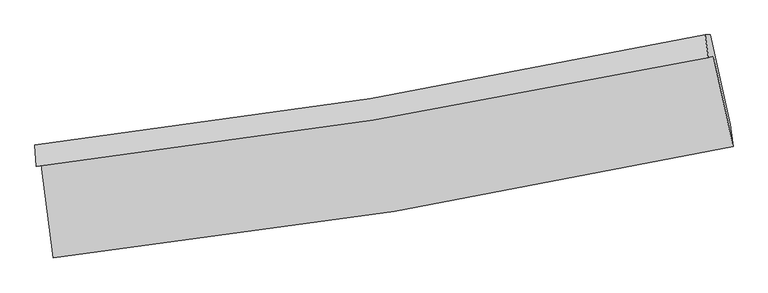
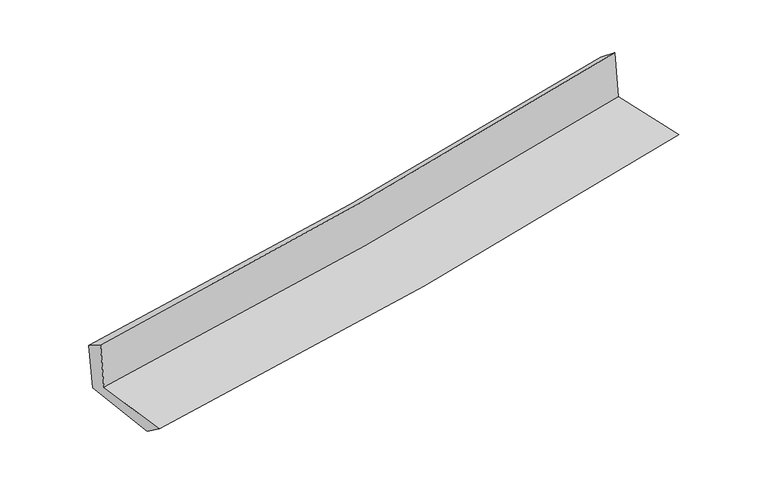
"""IFC4 building model written with IfcOpenShell, lengths in millimetres: proxy geometry."""

from ifc_helpers import new_model, si_unit, frame, origin, place, context, project, spatial, source, transform, mapped, element, save
from ifc_brep_helpers import plane_surface, spline_curve, spline_surface, advanced_brep


def generic_models_4c11e51d(model_context):
    return source(origin(), model_context, "Body", "AdvancedBrep", [
        advanced_brep(
        [(-2424.0589894, -1875.2031989, 1660.7168241), (-2339.4018131, -2537.314025, 1657.9520402), (2511.1971177, -1743.7153067, 2113.4961929), (2370.8911194, -1096.1984532, 2106.0836371), (-2458.7935264, -1886.1827424, 2059.0527347), (2334.825788, -1107.5986591, 2519.6811081), (-2469.8477832, -1732.5457544, 1965.0033047), (2311.5118552, -945.3439776, 2390.744397), (-2434.2111502, -1732.4499701, 1572.0180488), (2348.0754275, -945.0885858, 1997.8392159), (-2349.179385, -2379.4990768, 1543.9573349), (2490.0815497, -1587.3553452, 1974.7442633)],
        [
            (0, 1),
            (1, 2, spline_curve(3, [(-2339.4018131, -2537.314025, 1657.9520402), (-1525.285084084, -2448.283101713, 1733.383401735), (-714.73556922, -2337.793083716, 1808.992037632), (902.156670869, -2073.416162132, 1960.838799902), (1708.473466239, -1919.373274208, 2037.078215122), (2511.1971177, -1743.7153067, 2113.4961929)], [4, 2, 4], [0.0, 8.038229090721131, 16.10561994885461])),
            (2, 3),
            (3, 0, spline_curve(3, [(2370.8911194, -1096.1984532, 2106.0836371), (1576.250608226, -1264.13958595, 2033.005423874), (778.62227554, -1413.110470456, 1959.284053411), (-819.715989192, -1672.641820863, 1810.8238075), (-1620.404359314, -1783.339184889, 1736.089573816), (-2424.0589894, -1875.2031989, 1660.7168241)], [4, 2, 4], [0.0, 8.067390858133479, 16.10561994885461])),
            (4, 0),
            (3, 5),
            (5, 4, spline_curve(3, [(2334.825788, -1107.5986591, 2519.6811081), (1540.246572464, -1275.520416255, 2445.899953394), (742.760133773, -1424.446448282, 2370.551341764), (-855.133950883, -1683.837394062, 2216.99723918), (-1655.520617061, -1794.439389692, 2138.803059554), (-2458.7935264, -1886.1827424, 2059.0527347)], [4, 2, 4], [0.0, 8.01943329343024, 16.00987817504378])),
            (6, 4),
            (5, 7),
            (7, 6, spline_curve(3, [(2311.5118552, -945.3439776, 2390.744397), (1519.484953125, -1117.868133218, 2324.674623766), (724.297703032, -1269.81194177, 2256.092532934), (-869.511649594, -1532.064016648, 2114.160705446), (-1668.110945621, -1642.52080019, 2040.829098865), (-2469.8477832, -1732.5457544, 1965.0033047)], [4, 2, 4], [0.0, 8.008305705468182, 15.987663222797643])),
            (8, 6),
            (7, 9),
            (9, 8, spline_curve(3, [(2348.0754275, -945.0885858, 1997.8392159), (1555.896197235, -1117.645968161, 1931.754809333), (760.555396026, -1269.61970906, 1863.158717801), (-833.562945316, -1531.924962471, 1721.2002031), (-1632.317669943, -1642.405016369, 1647.855905545), (-2434.2111502, -1732.4499701, 1572.0180488)], [4, 2, 4], [0.0, 7.99801733488244, 15.967123671725828])),
            (10, 8),
            (9, 11),
            (11, 10, spline_curve(3, [(2490.0815497, -1587.3553452, 1974.7442633), (1688.747239113, -1762.758089621, 1907.760614881), (884.072113931, -1916.551908922, 1838.300403126), (-729.038973057, -2180.443879207, 1694.686888414), (-1537.450826153, -2290.697970371, 1620.551457135), (-2349.179385, -2379.4990768, 1543.9573349)], [4, 2, 4], [0.0, 8.045940243110978, 16.062796257862463])),
            (1, 10),
            (11, 2),
        ],
        [
            spline_surface(3, 3, [[(-2424.0589894, -1875.2031989, 1660.7168241), (-1620.404359303, -1783.33918478, 1736.089573949), (-819.715989066, -1672.641820785, 1810.823807621), (778.622275414, -1413.110470534, 1959.284053291), (1576.250608092, -1264.139585962, 2033.005423939), (2370.8911194, -1096.1984532, 2106.0836371)], [(-2395.83993062, -2095.90680759, 1659.795229493), (-1588.697934229, -2004.987157067, 1735.187516589), (-784.722515788, -1894.358908413, 1810.213217618), (819.800407224, -1633.212367774, 1959.802302166), (1620.324894131, -1482.550815353, 2034.363020974), (2417.65978548, -1312.037404368, 2108.554489048)], [(-2367.62087188, -2316.61041631, 1658.873634807), (-1556.991509196, -2226.635129384, 1734.285459151), (-749.729042491, -2116.075996004, 1809.602627618), (860.978539052, -1853.314264977, 1960.320551043), (1664.399180229, -1700.962044739, 2035.720617966), (2464.42845162, -1527.876355532, 2111.025340952)], [(-2339.4018131, -2537.314025, 1657.9520402), (-1525.285084122, -2448.283101671, 1733.383401791), (-714.735569213, -2337.793083632, 1808.992037616), (902.156670862, -2073.416162216, 1960.838799918), (1708.473466268, -1919.373274131, 2037.078215002), (2511.1971177, -1743.7153067, 2113.4961929)]], [4, 4], [4, 2, 4], [0.0, 2.206373539216438], [0.0, 8.038229090721131, 16.10561994885461]),
            spline_surface(3, 3, [[(-2458.7935264, -1886.1827424, 2059.0527347), (-1655.520616947, -1794.439389695, 2138.803059523), (-855.133950898, -1683.837393961, 2216.997239159), (742.760133788, -1424.446448384, 2370.551341784), (1540.246572575, -1275.52041631, 2445.899953321), (2334.825788, -1107.5986591, 2519.6811081)], [(-2447.21534741, -1882.522894581, 1926.274097815), (-1643.815197743, -1790.739321404, 2004.56523098), (-843.327963625, -1680.105536229, 2081.60609531), (754.714180992, -1420.667789095, 2233.462245617), (1552.247917764, -1271.726806187, 2308.268443536), (2346.84756515, -1103.79859046, 2381.815284442)], [(-2435.63716839, -1878.863046719, 1793.495460985), (-1632.109778507, -1787.039253071, 1870.327402492), (-831.521976339, -1676.373678516, 1946.214951469), (766.668228209, -1416.889129824, 2096.373149458), (1564.249262903, -1267.933196084, 2170.636933724), (2358.86934225, -1099.99852184, 2243.949460758)], [(-2424.0589894, -1875.2031989, 1660.7168241), (-1620.404359303, -1783.33918478, 1736.089573949), (-819.715989066, -1672.641820785, 1810.823807621), (778.622275414, -1413.110470534, 1959.284053291), (1576.250608092, -1264.139585962, 2033.005423939), (2370.8911194, -1096.1984532, 2106.0836371)]], [4, 4], [4, 2, 4], [0.0, 1.3465722000771294], [0.0, 7.990444881613541, 16.00987817504378]),
            spline_surface(3, 3, [[(-2469.8477832, -1732.5457544, 1965.0033047), (-1668.110945722, -1642.520800167, 2040.829098916), (-869.511649645, -1532.064016569, 2114.160705423), (724.297703083, -1269.811941849, 2256.092532957), (1519.484953093, -1117.868133191, 2324.674623838), (2311.5118552, -945.3439776, 2390.744397)], [(-2466.163030917, -1783.75808371, 1996.353114714), (-1663.914169448, -1693.160329986, 2073.487085799), (-864.719083382, -1582.655142361, 2148.439550001), (730.451846665, -1321.356777355, 2294.245469232), (1526.405492895, -1170.418894234, 2365.08306697), (2319.283166108, -999.428871436, 2433.723300671)], [(-2462.478278683, -1834.97041309, 2027.702924686), (-1659.717393221, -1743.799859876, 2106.14507264), (-859.92651716, -1633.246268169, 2182.718394581), (736.605990206, -1372.901612878, 2332.398405509), (1533.326032772, -1222.969655268, 2405.491510189), (2327.054477092, -1053.513765264, 2476.702204429)], [(-2458.7935264, -1886.1827424, 2059.0527347), (-1655.520616947, -1794.439389695, 2138.803059523), (-855.133950898, -1683.837393961, 2216.997239159), (742.760133788, -1424.446448384, 2370.551341784), (1540.246572575, -1275.52041631, 2445.899953321), (2334.825788, -1107.5986591, 2519.6811081)]], [4, 4], [4, 2, 4], [0.0, 0.618608371418641], [0.0, 7.979357517329462, 15.987663222797643]),
            spline_surface(3, 3, [[(-2434.2111502, -1732.4499701, 1572.0180488), (-1632.31766996, -1642.405016427, 1647.855905647), (-833.562945288, -1531.924962475, 1721.200203183), (760.555395998, -1269.619709055, 1863.158717717), (1555.896197247, -1117.645968204, 1931.754809234), (2348.0754275, -945.0885858, 1997.8392159)], [(-2446.090027868, -1732.481898222, 1703.013134084), (-1644.248761882, -1642.443611029, 1778.846970054), (-845.545846761, -1531.971313851, 1852.187037261), (748.469498339, -1269.683786664, 1994.136656128), (1543.759115895, -1117.720023197, 2062.728080784), (2335.887570099, -945.173716398, 2128.807609616)], [(-2457.968905532, -1732.513826278, 1834.008219416), (-1656.1798538, -1642.482205566, 1909.838034509), (-857.528748172, -1532.017665194, 1983.173871345), (736.383600742, -1269.74786424, 2125.114594545), (1531.622034445, -1117.794078198, 2193.701352288), (2323.699712601, -945.258847002, 2259.776003284)], [(-2469.8477832, -1732.5457544, 1965.0033047), (-1668.110945722, -1642.520800167, 2040.829098916), (-869.511649645, -1532.064016569, 2114.160705423), (724.297703083, -1269.811941849, 2256.092532957), (1519.484953093, -1117.868133191, 2324.674623838), (2311.5118552, -945.3439776, 2390.744397)]], [4, 4], [4, 2, 4], [0.0, 1.2946268239778602], [0.0, 7.969106336843388, 15.967123671725828]),
            spline_surface(3, 3, [[(-2349.179385, -2379.4990768, 1543.9573349), (-1537.450826189, -2290.6979704, 1620.551457196), (-729.038973128, -2180.443879203, 1694.68688835), (884.072114003, -1916.551908925, 1838.30040319), (1688.747239189, -1762.7580896, 1907.760614868), (2490.0815497, -1587.3553452, 1974.7442633)], [(-2377.523306735, -2163.816041214, 1553.310906195), (-1569.073107447, -2074.600319057, 1629.652940008), (-763.880297188, -1964.270906969, 1703.524659948), (842.899874661, -1700.907842311, 1846.58650802), (1644.463558536, -1547.720715806, 1915.758679657), (2442.746175628, -1373.266425405, 1982.442580834)], [(-2405.867228465, -1948.133005686, 1562.664477505), (-1600.695388701, -1858.502667771, 1638.754422836), (-798.721621227, -1748.097934709, 1712.362431585), (801.72763534, -1485.26377567, 1854.872612888), (1600.1798779, -1332.683341998, 1923.756744444), (2395.410801572, -1159.177505595, 1990.140898366)], [(-2434.2111502, -1732.4499701, 1572.0180488), (-1632.31766996, -1642.405016427, 1647.855905647), (-833.562945288, -1531.924962475, 1721.200203183), (760.555395998, -1269.619709055, 1863.158717717), (1555.896197247, -1117.645968204, 1931.754809234), (2348.0754275, -945.0885858, 1997.8392159)]], [4, 4], [4, 2, 4], [0.0, 2.1594127133469554], [0.0, 8.016856014751484, 16.062796257862463]),
            spline_surface(3, 3, [[(-2339.4018131, -2537.314025, 1657.9520402), (-1525.285084122, -2448.283101671, 1733.383401791), (-714.735569213, -2337.793083632, 1808.992037616), (902.156670862, -2073.416162216, 1960.838799918), (1708.473466268, -1919.373274131, 2037.078215002), (2511.1971177, -1743.7153067, 2113.4961929)], [(-2342.661003749, -2484.709042284, 1619.9538051), (-1529.340331494, -2395.754724598, 1695.772753593), (-719.503370493, -2285.343348802, 1770.890321213), (896.128485267, -2021.128077766, 1919.992667695), (1701.898057243, -1867.16821262, 1993.972348279), (2504.158595035, -1691.595319533, 2067.245549689)], [(-2345.920194351, -2432.104059516, 1581.95557), (-1533.395578817, -2343.226347473, 1658.162105394), (-724.271171848, -2232.893614033, 1732.788604753), (890.100299597, -1968.839993376, 1879.146535414), (1695.322648214, -1814.96315111, 1950.86648159), (2497.120072365, -1639.475332367, 2020.994906511)], [(-2349.179385, -2379.4990768, 1543.9573349), (-1537.450826189, -2290.6979704, 1620.551457196), (-729.038973128, -2180.443879203, 1694.68688835), (884.072114003, -1916.551908925, 1838.30040319), (1688.747239189, -1762.7580896, 1907.760614868), (2490.0815497, -1587.3553452, 1974.7442633)]], [4, 4], [4, 2, 4], [0.0, 0.6476810772650037], [0.0, 8.074919480396266, 16.179133836704015]),
            plane_surface(frame((2394.4304762, -1237.5500546, 2183.7648024), z_axis=(0.9730768964290957, 0.2118875866689372, 0.09069180917554164), x_axis=(-0.09265915951942201, -0.0006472121698141536, 0.9956976756393286))),
            plane_surface(frame((-2412.5821079, -2023.8657946, 1743.1167146), z_axis=(-0.9879801545067204, -0.12594843617664778, -0.08962257374977539), x_axis=(-0.12682595276813352, 0.9919163381559707, 0.004141956506934914))),
        ],
        [
            (0, [[1, 2, 3, 4]]),
            (1, [[5, -4, 6, 7]]),
            (2, [[8, -7, 9, 10]]),
            (3, [[11, -10, 12, 13]]),
            (4, [[14, -13, 15, 16]]),
            (5, [[17, -16, 18, -2]]),
            (6, [[-12, -9, -6, -3, -18, -15]]),
            (7, [[-1, -5, -8, -11, -14, -17]]),
        ],
    ),
    ])


if __name__ == "__main__":
    model = new_model("IFC4")
    model_context = context("Model", 3, world=origin())
    ifc_project = project(units=[si_unit("LENGTHUNIT", "METRE", prefix="MILLI")], contexts=[model_context])
    site = spatial("IfcSite", under=ifc_project)
    building = spatial("IfcBuilding", under=site)
    placement = place(None, origin())
    generic_models_shape = generic_models_4c11e51d(model_context)
    element("IfcBuildingElementProxy", 1, Name="Generic Models", at=placement, inside=building, context=model_context, shape_type="MappedRepresentation", body=[
        mapped(generic_models_shape, transform((0.0, 0.0, 0.0), x_axis=(1.0, 0.0, 0.0), y_axis=(0.0, 1.0, 0.0), z_axis=(0.0, 0.0, 1.0))),
    ])
    save(model, "model.ifc")
